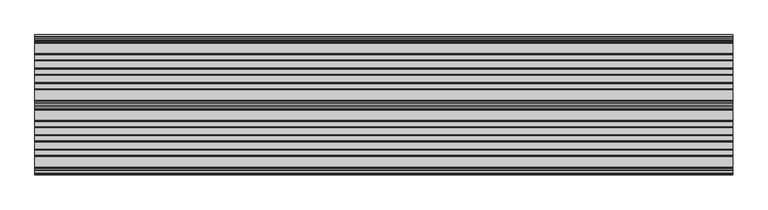
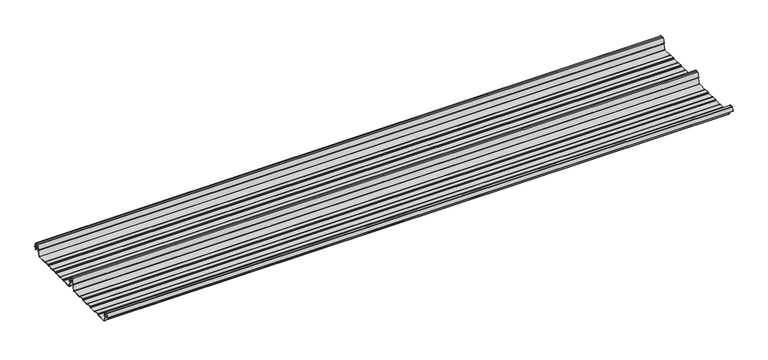
"""IFC4 building model written with IfcOpenShell, lengths in millimetres: beam geometry."""

import ifcopenshell
import ifcopenshell.guid

model = None  # the IFC model being written
_history = None  # IfcOwnerHistory: only IFC2X3 demands one
_inside = {}  # id of a spatial element -> (the spatial element, [elements in it])
_under = {}  # id of a project, library or spatial element -> (it, [spatial elements below it])
_declared = {}  # id of a project -> (the project, [libraries it declares])
_typed = {}  # id of a type object -> (the type object, [elements of that type])
_made_of = {}  # id of a material, layer set ... -> (it, [elements and type objects made of it])


def new_model(schema):
    """Start an empty IFC model of exactly this schema.

    Asked for "IFC4X3", IfcOpenShell would pick the latest addendum, in which some entities
    have other attributes; the version numbers below select the first issue.
    IFC2X3 requires an IfcOwnerHistory on every rooted entity: one is made here for all.
    """
    global model, _history
    if schema == "IFC4X3":
        model = ifcopenshell.file(schema_version=(4, 3, 0, 0))
    else:
        model = ifcopenshell.file(schema=schema)
    _inside.clear()
    _under.clear()
    _declared.clear()
    _typed.clear()
    _made_of.clear()
    _history = None
    if model.schema == "IFC2X3":
        org = make("IfcOrganization", Name="unknown")
        user = make(
            "IfcPersonAndOrganization",
            ThePerson=make("IfcPerson", FamilyName="unknown"),
            TheOrganization=org,
        )
        app = make(
            "IfcApplication",
            ApplicationDeveloper=org,
            Version="unknown",
            ApplicationFullName="unknown",
            ApplicationIdentifier="unknown",
        )
        _history = make(
            "IfcOwnerHistory",
            OwningUser=user,
            OwningApplication=app,
            ChangeAction="ADDED",
            CreationDate=0,
        )
    return model


def make(cls, **values):
    """One entity of the class cls with the attributes given. An attribute that is None is left unset."""
    return model.create_entity(
        cls, **{name: value for name, value in values.items() if value is not None}
    )


def rooted(cls, **values):
    """An entity with a GlobalId (a new one), such as an element, a storey or a relation."""
    return make(cls, GlobalId=ifcopenshell.guid.new(), OwnerHistory=_history, **values)


def si_unit(unit_type, name, prefix=None):
    """IfcSIUnit, for example si_unit("LENGTHUNIT", "METRE", prefix="MILLI")."""
    return make("IfcSIUnit", UnitType=unit_type, Prefix=prefix, Name=name)


def assignment(units):
    """IfcUnitAssignment: the units of a project."""
    return None if units is None else make("IfcUnitAssignment", Units=units)


def point(xyz):
    """IfcCartesianPoint."""
    return None if xyz is None else make("IfcCartesianPoint", Coordinates=xyz)


def direction(xyz):
    """IfcDirection."""
    return None if xyz is None else make("IfcDirection", DirectionRatios=xyz)


def frame(location, z_axis=None, x_axis=None):
    """IfcAxis2Placement3D, a coordinate frame: its origin and axes. An axis left out is left unset."""
    return make(
        "IfcAxis2Placement3D",
        Location=point(location),
        Axis=direction(z_axis),
        RefDirection=direction(x_axis),
    )


def frame_2d(location, x_axis=None):
    """IfcAxis2Placement2D, a coordinate frame in the plane: its origin and x axis."""
    return make(
        "IfcAxis2Placement2D", Location=point(location), RefDirection=direction(x_axis)
    )


def origin():
    """The frame at (0, 0, 0) with its axes left unset."""
    return frame((0.0, 0.0, 0.0))


def place(relative_to, where):
    """IfcLocalPlacement: puts the frame where relative to a parent placement (None: the world)."""
    return make(
        "IfcLocalPlacement", PlacementRelTo=relative_to, RelativePlacement=where
    )


def context(
    kind, dimensions, precision=None, world=None, true_north=None, identifier=None
):
    """IfcGeometricRepresentationContext, for example the 3D "Model" context."""
    return make(
        "IfcGeometricRepresentationContext",
        ContextIdentifier=identifier,
        ContextType=kind,
        CoordinateSpaceDimension=dimensions,
        Precision=precision,
        WorldCoordinateSystem=world,
        TrueNorth=true_north,
    )


def project(units=None, contexts=None):
    """IfcProject with its units and contexts."""
    return rooted(
        "IfcProject",
        Name="project",
        RepresentationContexts=contexts,
        UnitsInContext=assignment(units),
    )


def spatial(cls, under=None, at=None, **own):
    """A site, building, storey or space (cls), placed at a placement, below another one or the project."""
    s = rooted(cls, ObjectPlacement=at, **own)
    if under is not None:
        _under.setdefault(under.id(), (under, []))[1].append(s)
    return s


def polyline(points):
    """IfcPolyline through the points."""
    return make("IfcPolyline", Points=[point(p) for p in points])


def circle_curve(where, radius):
    """IfcCircle in the frame where."""
    return make("IfcCircle", Position=where, Radius=radius)


def trimmed(basis, trim1, trim2, sense, master):
    """IfcTrimmedCurve: the piece of a basis curve between two trims."""
    return make(
        "IfcTrimmedCurve",
        BasisCurve=basis,
        Trim1=trim1,
        Trim2=trim2,
        SenseAgreement=sense,
        MasterRepresentation=master,
    )


def segment(curve, same_sense, transition):
    """IfcCompositeCurveSegment."""
    return make(
        "IfcCompositeCurveSegment",
        Transition=transition,
        SameSense=same_sense,
        ParentCurve=curve,
    )


def composite_curve(segments, self_intersect=None):
    """IfcCompositeCurve: segments joined end to end."""
    return make("IfcCompositeCurve", Segments=segments, SelfIntersect=self_intersect)


def outline(outer, holes=None, kind="AREA"):
    """IfcArbitraryClosedProfileDef: a profile drawn as a closed curve; with holes, ...WithVoids."""
    if holes is None:
        return make("IfcArbitraryClosedProfileDef", ProfileType=kind, OuterCurve=outer)
    return make(
        "IfcArbitraryProfileDefWithVoids",
        ProfileType=kind,
        OuterCurve=outer,
        InnerCurves=holes,
    )


def extrude(swept, where, along, depth):
    """IfcExtrudedAreaSolid: the profile swept, set in the frame where, extruded along a direction by depth."""
    return make(
        "IfcExtrudedAreaSolid",
        SweptArea=swept,
        Position=where,
        ExtrudedDirection=direction(along),
        Depth=depth,
    )


def shape(context_of_items, identifier, shape_type, items):
    """IfcShapeRepresentation: the items that make up one representation, for example the "Body"."""
    return make(
        "IfcShapeRepresentation",
        ContextOfItems=context_of_items,
        RepresentationIdentifier=identifier,
        RepresentationType=shape_type,
        Items=items,
    )


def source(mapping_origin, context_of_items, identifier, shape_type, items):
    """IfcRepresentationMap: a shape defined once, which mapped items show again and again."""
    return make(
        "IfcRepresentationMap",
        MappingOrigin=mapping_origin,
        MappedRepresentation=shape(context_of_items, identifier, shape_type, items),
    )


def transform(
    local_origin,
    x_axis=None,
    y_axis=None,
    z_axis=None,
    scale=None,
    scale2=None,
    scale3=None,
    uniform=True,
):
    """IfcCartesianTransformationOperator3D, or its non-uniform kind. x_axis, y_axis, z_axis: its Axis1, 2, 3."""
    if uniform:
        return make(
            "IfcCartesianTransformationOperator3D",
            Axis1=direction(x_axis),
            Axis2=direction(y_axis),
            LocalOrigin=point(local_origin),
            Scale=scale,
            Axis3=direction(z_axis),
        )
    return make(
        "IfcCartesianTransformationOperator3DnonUniform",
        Axis1=direction(x_axis),
        Axis2=direction(y_axis),
        LocalOrigin=point(local_origin),
        Scale=scale,
        Axis3=direction(z_axis),
        Scale2=scale2,
        Scale3=scale3,
    )


def mapped(mapping_source, mapping_target):
    """IfcMappedItem: shows the shape of a source again, moved by a transform."""
    return make(
        "IfcMappedItem", MappingSource=mapping_source, MappingTarget=mapping_target
    )


def made_of(thing, what):
    """Note that an element or type object is made of a material, layer set ...; save() writes the relation."""
    if what is not None:
        _made_of.setdefault(what.id(), (what, []))[1].append(thing)
    return thing


def element(
    cls,
    number,
    at=None,
    inside=None,
    cuts=None,
    type_object=None,
    material=None,
    context=None,
    identifier="Body",
    shape_type=None,
    held_by="IfcProductDefinitionShape",
    body=None,
    shapes=None,
    **own,
):
    """One element of the class cls, such as IfcWall. Its Tag is "e" and its number.

    at: its placement. inside: the storey or other place that contains it. cuts: it is an
    opening in that element (IfcRelVoidsElement). A single representation is given by context,
    identifier, shape_type and body (its items); several are given by shapes. held_by: the class
    of the entity that holds the representations. save() writes the other relations.
    """
    e = rooted(cls, Tag="e%d" % number, ObjectPlacement=at, **own)
    if body is not None:
        shapes = [shape(context, identifier, shape_type, body)]
    if shapes is not None:
        e.Representation = make(held_by, Representations=shapes)
    if inside is not None:
        _inside.setdefault(inside.id(), (inside, []))[1].append(e)
    if cuts is not None:
        rooted(
            "IfcRelVoidsElement", RelatingBuildingElement=cuts, RelatedOpeningElement=e
        )
    if type_object is not None:
        _typed.setdefault(type_object.id(), (type_object, []))[1].append(e)
    return made_of(e, material)


def aggregate(whole, parts):
    """IfcRelAggregates: a whole, such as a stair, and the parts it consists of."""
    return rooted("IfcRelAggregates", RelatingObject=whole, RelatedObjects=parts)


def save(model, path):
    """Write the relations noted so far, then the file.

    IfcRelAggregates (storeys below a building ...), IfcRelContainedInSpatialStructure (elements
    in a storey), IfcRelDefinesByType, IfcRelAssociatesMaterial and IfcRelDeclares: one each for
    every whole, place, type object, material and project.
    """
    for whole, parts in _under.values():
        aggregate(whole, parts)
    for where, things in _inside.values():
        rooted(
            "IfcRelContainedInSpatialStructure",
            RelatedElements=things,
            RelatingStructure=where,
        )
    for kind, things in _typed.values():
        rooted("IfcRelDefinesByType", RelatedObjects=things, RelatingType=kind)
    for what, things in _made_of.values():
        rooted("IfcRelAssociatesMaterial", RelatedObjects=things, RelatingMaterial=what)
    for by, libraries in _declared.values():
        rooted("IfcRelDeclares", RelatingContext=by, RelatedDefinitions=libraries)
    model.write(path)


def beam_cae71976(model_context):
    return source(origin(), model_context, "Body", "SweptSolid", [
        extrude(outline(composite_curve([segment(trimmed(circle_curve(frame_2d((-231.1362436, -24.0396475)), 1.75), [point((-231.1362436, -25.7896475))], [point((-232.7807057, -24.6381827))], False, "CARTESIAN"), True, "CONTINUOUS"), segment(polyline([(-232.7807057, -24.6381827), (-241.6888002, -2.1633943)]), True, "CONTINUOUS"), segment(trimmed(circle_curve(frame_2d((-240.0443381, -1.5648591)), 1.75), [point((-241.6888002, -2.1633943))], [point((-240.4972714, 0.1255111))], False, "CARTESIAN"), True, "CONTINUOUS"), segment(polyline([(-240.4972714, 0.1255111), (-237.8419476, 0.837003)]), True, "CONTINUOUS"), segment(trimmed(circle_curve(frame_2d((-238.1654714, 2.0444103)), 1.25), [point((-237.8419476, 0.837003))], [point((-236.9908556, 2.4719355))], True, "CARTESIAN"), True, "CONTINUOUS"), segment(polyline([(-236.9908556, 2.4719355), (-243.8110817, 21.2103525), (-250.0, 21.2103525), (-256.1889183, 21.2103525), (-263.0091444, 2.4719355)]), True, "CONTINUOUS"), segment(trimmed(circle_curve(frame_2d((-261.8345286, 2.0444103)), 1.25), [point((-263.0091444, 2.4719355))], [point((-262.1580524, 0.837003))], True, "CARTESIAN"), True, "CONTINUOUS"), segment(polyline([(-262.1580524, 0.837003), (-259.5027286, 0.1255111)]), True, "CONTINUOUS"), segment(trimmed(circle_curve(frame_2d((-259.9556619, -1.5648591)), 1.75), [point((-259.5027286, 0.1255111))], [point((-258.3111998, -2.1633943))], False, "CARTESIAN"), True, "CONTINUOUS"), segment(polyline([(-258.3111998, -2.1633943), (-267.2192943, -24.6381827)]), True, "CONTINUOUS"), segment(trimmed(circle_curve(frame_2d((-268.8637564, -24.0396475)), 1.75), [point((-267.2192943, -24.6381827))], [point((-268.8637564, -25.7896475))], False, "CARTESIAN"), True, "CONTINUOUS"), segment(polyline([(-268.8637564, -25.7896475), (-307.3786797, -25.7896475)]), True, "CONTINUOUS"), segment(trimmed(circle_curve(frame_2d((-307.3786797, -24.0396475)), 1.75), [point((-307.3786797, -25.7896475))], [point((-308.6161165, -25.2770843))], False, "CARTESIAN"), True, "CONTINUOUS"), segment(polyline([(-308.6161165, -25.2770843), (-310.7788845, -23.1143163)]), True, "CONTINUOUS"), segment(trimmed(circle_curve(frame_2d((-311.5627045, -23.8981363)), 1.1084889), [point((-310.7788845, -23.1143163))], [point((-311.5627045, -22.7896475))], True, "CARTESIAN"), True, "CONTINUOUS"), segment(polyline([(-311.5627045, -22.7896475), (-330.4372955, -22.7896475)]), True, "CONTINUOUS"), segment(trimmed(circle_curve(frame_2d((-330.4372955, -23.8981363)), 1.1084889), [point((-330.4372955, -22.7896475))], [point((-331.2211155, -23.1143163))], True, "CARTESIAN"), True, "CONTINUOUS"), segment(polyline([(-331.2211155, -23.1143163), (-333.3838835, -25.2770843)]), True, "CONTINUOUS"), segment(trimmed(circle_curve(frame_2d((-334.6213203, -24.0396475)), 1.75), [point((-333.3838835, -25.2770843))], [point((-334.6213203, -25.7896475))], False, "CARTESIAN"), True, "CONTINUOUS"), segment(polyline([(-334.6213203, -25.7896475), (-361.3786797, -25.7896475)]), True, "CONTINUOUS"), segment(trimmed(circle_curve(frame_2d((-361.3786797, -24.0396475)), 1.75), [point((-361.3786797, -25.7896475))], [point((-362.6161165, -25.2770843))], False, "CARTESIAN"), True, "CONTINUOUS"), segment(polyline([(-362.6161165, -25.2770843), (-364.7788845, -23.1143163)]), True, "CONTINUOUS"), segment(trimmed(circle_curve(frame_2d((-365.5627045, -23.8981363)), 1.1084889), [point((-364.7788845, -23.1143163))], [point((-365.5627045, -22.7896475))], True, "CARTESIAN"), True, "CONTINUOUS"), segment(polyline([(-365.5627045, -22.7896475), (-384.4372955, -22.7896475)]), True, "CONTINUOUS"), segment(trimmed(circle_curve(frame_2d((-384.4372955, -23.8981363)), 1.1084889), [point((-384.4372955, -22.7896475))], [point((-385.2211155, -23.1143163))], True, "CARTESIAN"), True, "CONTINUOUS"), segment(polyline([(-385.2211155, -23.1143163), (-387.3838835, -25.2770843)]), True, "CONTINUOUS"), segment(trimmed(circle_curve(frame_2d((-388.6213203, -24.0396475)), 1.75), [point((-387.3838835, -25.2770843))], [point((-388.6213203, -25.7896475))], False, "CARTESIAN"), True, "CONTINUOUS"), segment(polyline([(-388.6213203, -25.7896475), (-415.3786797, -25.7896475)]), True, "CONTINUOUS"), segment(trimmed(circle_curve(frame_2d((-415.3786797, -24.0396475)), 1.75), [point((-415.3786797, -25.7896475))], [point((-416.6161165, -25.2770843))], False, "CARTESIAN"), True, "CONTINUOUS"), segment(polyline([(-416.6161165, -25.2770843), (-418.7788845, -23.1143163)]), True, "CONTINUOUS"), segment(trimmed(circle_curve(frame_2d((-419.5627045, -23.8981363)), 1.1084889), [point((-418.7788845, -23.1143163))], [point((-419.5627045, -22.7896475))], True, "CARTESIAN"), True, "CONTINUOUS"), segment(polyline([(-419.5627045, -22.7896475), (-438.4372955, -22.7896475)]), True, "CONTINUOUS"), segment(trimmed(circle_curve(frame_2d((-438.4372955, -23.8981363)), 1.1084889), [point((-438.4372955, -22.7896475))], [point((-439.2211155, -23.1143163))], True, "CARTESIAN"), True, "CONTINUOUS"), segment(polyline([(-439.2211155, -23.1143163), (-441.3838835, -25.2770843)]), True, "CONTINUOUS"), segment(trimmed(circle_curve(frame_2d((-442.6213203, -24.0396475)), 1.75), [point((-441.3838835, -25.2770843))], [point((-442.6213203, -25.7896475))], False, "CARTESIAN"), True, "CONTINUOUS"), segment(polyline([(-442.6213203, -25.7896475), (-483.287616, -25.7896475)]), True, "CONTINUOUS"), segment(trimmed(circle_curve(frame_2d((-483.287616, -24.0396475)), 1.75), [point((-483.287616, -25.7896475))], [point((-484.8955882, -24.7302452))], False, "CARTESIAN"), True, "CONTINUOUS"), segment(polyline([(-484.8955882, -24.7302452), (-493.5565428, -2.8789816)]), True, "CONTINUOUS"), segment(trimmed(circle_curve(frame_2d((-490.0443381, -1.5648591)), 3.75), [point((-493.5565428, -2.8789816))], [point((-490.3464639, 2.1729504))], False, "CARTESIAN"), True, "CONTINUOUS"), segment(trimmed(circle_curve(frame_2d((-490.426413, 3.162057)), 0.9923325), [point((-490.3464639, 2.1729504))], [point((-489.4939255, 3.5014547))], True, "CARTESIAN"), True, "CONTINUOUS"), segment(polyline([(-489.4939255, 3.5014547), (-494.9720116, 18.5523727)]), True, "CONTINUOUS"), segment(trimmed(circle_curve(frame_2d((-495.9117043, 18.2103525)), 1.0), [point((-494.9720116, 18.5523727))], [point((-495.9117043, 19.2103525))], True, "CARTESIAN"), True, "CONTINUOUS"), segment(polyline([(-495.9117043, 19.2103525), (-504.0882957, 19.2103525)]), True, "CONTINUOUS"), segment(trimmed(circle_curve(frame_2d((-504.0882957, 18.2103525)), 1.0), [point((-504.0882957, 19.2103525))], [point((-505.0279884, 18.5523727))], True, "CARTESIAN"), True, "CONTINUOUS"), segment(polyline([(-505.0279884, 18.5523727), (-510.4799156, 3.5733257)]), True, "CONTINUOUS"), segment(trimmed(circle_curve(frame_2d((-510.9497619, 3.7443357)), 0.5), [point((-510.4799156, 3.5733257))], [point((-511.4196082, 3.9153458))], False, "CARTESIAN"), True, "CONTINUOUS"), segment(polyline([(-511.4196082, 3.9153458), (-505.967681, 18.8943928)]), True, "CONTINUOUS"), segment(trimmed(circle_curve(frame_2d((-504.0882957, 18.2103525)), 2.0), [point((-505.967681, 18.8943928))], [point((-504.0882957, 20.2103525))], False, "CARTESIAN"), True, "CONTINUOUS"), segment(polyline([(-504.0882957, 20.2103525), (-495.9117043, 20.2103525)]), True, "CONTINUOUS"), segment(trimmed(circle_curve(frame_2d((-495.9117043, 18.2103525)), 2.0), [point((-495.9117043, 20.2103525))], [point((-494.032319, 18.8943928))], False, "CARTESIAN"), True, "CONTINUOUS"), segment(polyline([(-494.032319, 18.8943928), (-488.5542329, 3.8434749)]), True, "CONTINUOUS"), segment(trimmed(circle_curve(frame_2d((-490.426413, 3.162057)), 1.9923325), [point((-488.5542329, 3.8434749))], [point((-490.265897, 1.1762012))], False, "CARTESIAN"), True, "CONTINUOUS"), segment(trimmed(circle_curve(frame_2d((-490.0443381, -1.5648591)), 2.75), [point((-490.265897, 1.1762012))], [point((-492.6230664, -2.5201915))], True, "CARTESIAN"), True, "CONTINUOUS"), segment(polyline([(-492.6230664, -2.5201915), (-483.9722515, -24.3458733)]), True, "CONTINUOUS"), segment(trimmed(circle_curve(frame_2d((-483.287616, -24.0396475)), 0.75), [point((-483.9722515, -24.3458733))], [point((-483.287616, -24.7896475))], True, "CARTESIAN"), True, "CONTINUOUS"), segment(polyline([(-483.287616, -24.7896475), (-442.7420401, -24.7896475)]), True, "CONTINUOUS"), segment(trimmed(circle_curve(frame_2d((-442.7420401, -23.7482041)), 1.0414433), [point((-442.7420401, -24.7896475))], [point((-442.0056285, -24.4846158))], True, "CARTESIAN"), True, "CONTINUOUS"), segment(polyline([(-442.0056285, -24.4846158), (-439.9696699, -22.4486572)]), True, "CONTINUOUS"), segment(trimmed(circle_curve(frame_2d((-438.3786797, -24.0396475)), 2.25), [point((-439.9696699, -22.4486572))], [point((-438.3786797, -21.7896475))], False, "CARTESIAN"), True, "CONTINUOUS"), segment(polyline([(-438.3786797, -21.7896475), (-419.6213203, -21.7896475)]), True, "CONTINUOUS"), segment(trimmed(circle_curve(frame_2d((-419.6213203, -24.0396475)), 2.25), [point((-419.6213203, -21.7896475))], [point((-418.0303301, -22.4486572))], False, "CARTESIAN"), True, "CONTINUOUS"), segment(polyline([(-418.0303301, -22.4486572), (-415.9943715, -24.4846158)]), True, "CONTINUOUS"), segment(trimmed(circle_curve(frame_2d((-415.2579599, -23.7482041)), 1.0414433), [point((-415.9943715, -24.4846158))], [point((-415.2579599, -24.7896475))], True, "CARTESIAN"), True, "CONTINUOUS"), segment(polyline([(-415.2579599, -24.7896475), (-388.7420401, -24.7896475)]), True, "CONTINUOUS"), segment(trimmed(circle_curve(frame_2d((-388.7420401, -23.7482041)), 1.0414433), [point((-388.7420401, -24.7896475))], [point((-388.0056285, -24.4846158))], True, "CARTESIAN"), True, "CONTINUOUS"), segment(polyline([(-388.0056285, -24.4846158), (-385.9696699, -22.4486572)]), True, "CONTINUOUS"), segment(trimmed(circle_curve(frame_2d((-384.3786797, -24.0396475)), 2.25), [point((-385.9696699, -22.4486572))], [point((-384.3786797, -21.7896475))], False, "CARTESIAN"), True, "CONTINUOUS"), segment(polyline([(-384.3786797, -21.7896475), (-365.6213203, -21.7896475)]), True, "CONTINUOUS"), segment(trimmed(circle_curve(frame_2d((-365.6213203, -24.0396475)), 2.25), [point((-365.6213203, -21.7896475))], [point((-364.0303301, -22.4486572))], False, "CARTESIAN"), True, "CONTINUOUS"), segment(polyline([(-364.0303301, -22.4486572), (-361.9943715, -24.4846158)]), True, "CONTINUOUS"), segment(trimmed(circle_curve(frame_2d((-361.2579599, -23.7482041)), 1.0414433), [point((-361.9943715, -24.4846158))], [point((-361.2579599, -24.7896475))], True, "CARTESIAN"), True, "CONTINUOUS"), segment(polyline([(-361.2579599, -24.7896475), (-334.7420401, -24.7896475)]), True, "CONTINUOUS"), segment(trimmed(circle_curve(frame_2d((-334.7420401, -23.7482041)), 1.0414433), [point((-334.7420401, -24.7896475))], [point((-334.0056285, -24.4846158))], True, "CARTESIAN"), True, "CONTINUOUS"), segment(polyline([(-334.0056285, -24.4846158), (-331.9696699, -22.4486572)]), True, "CONTINUOUS"), segment(trimmed(circle_curve(frame_2d((-330.3786797, -24.0396475)), 2.25), [point((-331.9696699, -22.4486572))], [point((-330.3786797, -21.7896475))], False, "CARTESIAN"), True, "CONTINUOUS"), segment(polyline([(-330.3786797, -21.7896475), (-311.6213203, -21.7896475)]), True, "CONTINUOUS"), segment(trimmed(circle_curve(frame_2d((-311.6213203, -24.0396475)), 2.25), [point((-311.6213203, -21.7896475))], [point((-310.0303301, -22.4486572))], False, "CARTESIAN"), True, "CONTINUOUS"), segment(polyline([(-310.0303301, -22.4486572), (-307.9943715, -24.4846158)]), True, "CONTINUOUS"), segment(trimmed(circle_curve(frame_2d((-307.2579599, -23.7482041)), 1.0414433), [point((-307.9943715, -24.4846158))], [point((-307.2579599, -24.7896475))], True, "CARTESIAN"), True, "CONTINUOUS"), segment(polyline([(-307.2579599, -24.7896475), (-268.8637564, -24.7896475)]), True, "CONTINUOUS"), segment(trimmed(circle_curve(frame_2d((-268.8637564, -24.0396475)), 0.75), [point((-268.8637564, -24.7896475))], [point((-268.1552359, -24.2856122))], True, "CARTESIAN"), True, "CONTINUOUS"), segment(polyline([(-268.1552359, -24.2856122), (-259.2471414, -1.8108238)]), True, "CONTINUOUS"), segment(trimmed(circle_curve(frame_2d((-259.9556619, -1.5648591)), 0.75), [point((-259.2471414, -1.8108238))], [point((-259.7615476, -0.8404147))], True, "CARTESIAN"), True, "CONTINUOUS"), segment(polyline([(-259.7615476, -0.8404147), (-262.4168715, -0.1289228)]), True, "CONTINUOUS"), segment(trimmed(circle_curve(frame_2d((-261.8345286, 2.0444103)), 2.25), [point((-262.4168715, -0.1289228))], [point((-263.948837, 2.8139556))], False, "CARTESIAN"), True, "CONTINUOUS"), segment(polyline([(-263.948837, 2.8139556), (-257.1273286, 21.5558959)]), True, "CONTINUOUS"), segment(trimmed(circle_curve(frame_2d((-256.1926676, 21.2157071)), 0.9946455), [point((-257.1273286, 21.5558959))], [point((-256.1926676, 22.2103525))], False, "CARTESIAN"), True, "CONTINUOUS"), segment(polyline([(-256.1926676, 22.2103525), (-250.0, 22.2103525), (-243.8073324, 22.2103525)]), True, "CONTINUOUS"), segment(trimmed(circle_curve(frame_2d((-243.8073324, 21.2157071)), 0.9946455), [point((-243.8073324, 22.2103525))], [point((-242.8726714, 21.5558959))], False, "CARTESIAN"), True, "CONTINUOUS"), segment(polyline([(-242.8726714, 21.5558959), (-236.051163, 2.8139556)]), True, "CONTINUOUS"), segment(trimmed(circle_curve(frame_2d((-238.1654714, 2.0444103)), 2.25), [point((-236.051163, 2.8139556))], [point((-237.5831285, -0.1289228))], False, "CARTESIAN"), True, "CONTINUOUS"), segment(polyline([(-237.5831285, -0.1289228), (-240.2384524, -0.8404147)]), True, "CONTINUOUS"), segment(trimmed(circle_curve(frame_2d((-240.0443381, -1.5648591)), 0.75), [point((-240.2384524, -0.8404147))], [point((-240.7528586, -1.8108238))], True, "CARTESIAN"), True, "CONTINUOUS"), segment(polyline([(-240.7528586, -1.8108238), (-231.8447641, -24.2856122)]), True, "CONTINUOUS"), segment(trimmed(circle_curve(frame_2d((-231.1362436, -24.0396475)), 0.75), [point((-231.8447641, -24.2856122))], [point((-231.1362436, -24.7896475))], True, "CARTESIAN"), True, "CONTINUOUS"), segment(polyline([(-231.1362436, -24.7896475), (-192.7420401, -24.7896475)]), True, "CONTINUOUS"), segment(trimmed(circle_curve(frame_2d((-192.7420401, -23.7482041)), 1.0414433), [point((-192.7420401, -24.7896475))], [point((-192.0056285, -24.4846158))], True, "CARTESIAN"), True, "CONTINUOUS"), segment(polyline([(-192.0056285, -24.4846158), (-189.9696699, -22.4486572)]), True, "CONTINUOUS"), segment(trimmed(circle_curve(frame_2d((-188.3786797, -24.0396475)), 2.25), [point((-189.9696699, -22.4486572))], [point((-188.3786797, -21.7896475))], False, "CARTESIAN"), True, "CONTINUOUS"), segment(polyline([(-188.3786797, -21.7896475), (-169.6213203, -21.7896475)]), True, "CONTINUOUS"), segment(trimmed(circle_curve(frame_2d((-169.6213203, -24.0396475)), 2.25), [point((-169.6213203, -21.7896475))], [point((-168.0303301, -22.4486572))], False, "CARTESIAN"), True, "CONTINUOUS"), segment(polyline([(-168.0303301, -22.4486572), (-165.9943715, -24.4846158)]), True, "CONTINUOUS"), segment(trimmed(circle_curve(frame_2d((-165.2579599, -23.7482041)), 1.0414433), [point((-165.9943715, -24.4846158))], [point((-165.2579599, -24.7896475))], True, "CARTESIAN"), True, "CONTINUOUS"), segment(polyline([(-165.2579599, -24.7896475), (-138.7420401, -24.7896475)]), True, "CONTINUOUS"), segment(trimmed(circle_curve(frame_2d((-138.7420401, -23.7482041)), 1.0414433), [point((-138.7420401, -24.7896475))], [point((-138.0056285, -24.4846158))], True, "CARTESIAN"), True, "CONTINUOUS"), segment(polyline([(-138.0056285, -24.4846158), (-135.9696699, -22.4486572)]), True, "CONTINUOUS"), segment(trimmed(circle_curve(frame_2d((-134.3786797, -24.0396475)), 2.25), [point((-135.9696699, -22.4486572))], [point((-134.3786797, -21.7896475))], False, "CARTESIAN"), True, "CONTINUOUS"), segment(polyline([(-134.3786797, -21.7896475), (-115.6213203, -21.7896475)]), True, "CONTINUOUS"), segment(trimmed(circle_curve(frame_2d((-115.6213203, -24.0396475)), 2.25), [point((-115.6213203, -21.7896475))], [point((-114.0303301, -22.4486572))], False, "CARTESIAN"), True, "CONTINUOUS"), segment(polyline([(-114.0303301, -22.4486572), (-111.9943715, -24.4846158)]), True, "CONTINUOUS"), segment(trimmed(circle_curve(frame_2d((-111.2579599, -23.7482041)), 1.0414433), [point((-111.9943715, -24.4846158))], [point((-111.2579599, -24.7896475))], True, "CARTESIAN"), True, "CONTINUOUS"), segment(polyline([(-111.2579599, -24.7896475), (-84.7420401, -24.7896475)]), True, "CONTINUOUS"), segment(trimmed(circle_curve(frame_2d((-84.7420401, -23.7482041)), 1.0414433), [point((-84.7420401, -24.7896475))], [point((-84.0056285, -24.4846158))], True, "CARTESIAN"), True, "CONTINUOUS"), segment(polyline([(-84.0056285, -24.4846158), (-81.9696699, -22.4486572)]), True, "CONTINUOUS"), segment(trimmed(circle_curve(frame_2d((-80.3786797, -24.0396475)), 2.25), [point((-81.9696699, -22.4486572))], [point((-80.3786797, -21.7896475))], False, "CARTESIAN"), True, "CONTINUOUS"), segment(polyline([(-80.3786797, -21.7896475), (-61.6213203, -21.7896475)]), True, "CONTINUOUS"), segment(trimmed(circle_curve(frame_2d((-61.6213203, -24.0396475)), 2.25), [point((-61.6213203, -21.7896475))], [point((-60.0303301, -22.4486572))], False, "CARTESIAN"), True, "CONTINUOUS"), segment(polyline([(-60.0303301, -22.4486572), (-57.9943715, -24.4846158)]), True, "CONTINUOUS"), segment(trimmed(circle_curve(frame_2d((-57.2579599, -23.7482041)), 1.0414433), [point((-57.9943715, -24.4846158))], [point((-57.2579599, -24.7896475))], True, "CARTESIAN"), True, "CONTINUOUS"), segment(polyline([(-57.2579599, -24.7896475), (-18.8637564, -24.7896475)]), True, "CONTINUOUS"), segment(trimmed(circle_curve(frame_2d((-18.8637564, -24.0396475)), 0.75), [point((-18.8637564, -24.7896475))], [point((-18.1552359, -24.2856122))], True, "CARTESIAN"), True, "CONTINUOUS"), segment(polyline([(-18.1552359, -24.2856122), (-9.2471414, -1.8108238)]), True, "CONTINUOUS"), segment(trimmed(circle_curve(frame_2d((-9.9556619, -1.5648591)), 0.75), [point((-9.2471414, -1.8108238))], [point((-9.7615476, -0.8404147))], True, "CARTESIAN"), True, "CONTINUOUS"), segment(polyline([(-9.7615476, -0.8404147), (-12.4168715, -0.1289228)]), True, "CONTINUOUS"), segment(trimmed(circle_curve(frame_2d((-11.8345286, 2.0444103)), 2.25), [point((-12.4168715, -0.1289228))], [point((-13.948837, 2.8139556))], False, "CARTESIAN"), True, "CONTINUOUS"), segment(polyline([(-13.948837, 2.8139556), (-7.1273286, 21.5558959)]), True, "CONTINUOUS"), segment(trimmed(circle_curve(frame_2d((-6.1926676, 21.2157071)), 0.9946455), [point((-7.1273286, 21.5558959))], [point((-6.1926676, 22.2103525))], False, "CARTESIAN"), True, "CONTINUOUS"), segment(polyline([(-6.1926676, 22.2103525), (0.0, 22.2103525), (6.1926676, 22.2103525)]), True, "CONTINUOUS"), segment(trimmed(circle_curve(frame_2d((6.1926676, 21.2157071)), 0.9946455), [point((6.1926676, 22.2103525))], [point((7.1273286, 21.5558959))], False, "CARTESIAN"), True, "CONTINUOUS"), segment(polyline([(7.1273286, 21.5558959), (13.948837, 2.8139556)]), True, "CONTINUOUS"), segment(trimmed(circle_curve(frame_2d((11.8345286, 2.0444103)), 2.25), [point((13.948837, 2.8139556))], [point((12.4168715, -0.1289228))], False, "CARTESIAN"), True, "CONTINUOUS"), segment(polyline([(12.4168715, -0.1289228), (9.7615476, -0.8404147)]), True, "CONTINUOUS"), segment(trimmed(circle_curve(frame_2d((9.9556619, -1.5648591)), 0.75), [point((9.7615476, -0.8404147))], [point((9.2471414, -1.8108238))], True, "CARTESIAN"), True, "CONTINUOUS"), segment(polyline([(9.2471414, -1.8108238), (12.5127954, -10.0499465)]), True, "CONTINUOUS"), segment(trimmed(circle_curve(frame_2d((12.0479758, -10.2341821)), 0.5), [point((12.5127954, -10.0499465))], [point((11.5831563, -10.4184177))], False, "CARTESIAN"), True, "CONTINUOUS"), segment(polyline([(11.5831563, -10.4184177), (8.3111998, -2.1633943)]), True, "CONTINUOUS"), segment(trimmed(circle_curve(frame_2d((9.9556619, -1.5648591)), 1.75), [point((8.3111998, -2.1633943))], [point((9.5027286, 0.1255111))], False, "CARTESIAN"), True, "CONTINUOUS"), segment(polyline([(9.5027286, 0.1255111), (12.1580524, 0.837003)]), True, "CONTINUOUS"), segment(trimmed(circle_curve(frame_2d((11.8345286, 2.0444103)), 1.25), [point((12.1580524, 0.837003))], [point((13.0091444, 2.4719355))], True, "CARTESIAN"), True, "CONTINUOUS"), segment(polyline([(13.0091444, 2.4719355), (6.1889183, 21.2103525), (0.0, 21.2103525), (-6.1889183, 21.2103525), (-13.0091444, 2.4719355)]), True, "CONTINUOUS"), segment(trimmed(circle_curve(frame_2d((-11.8345286, 2.0444103)), 1.25), [point((-13.0091444, 2.4719355))], [point((-12.1580524, 0.837003))], True, "CARTESIAN"), True, "CONTINUOUS"), segment(polyline([(-12.1580524, 0.837003), (-9.5027286, 0.1255111)]), True, "CONTINUOUS"), segment(trimmed(circle_curve(frame_2d((-9.9556619, -1.5648591)), 1.75), [point((-9.5027286, 0.1255111))], [point((-8.3111998, -2.1633943))], False, "CARTESIAN"), True, "CONTINUOUS"), segment(polyline([(-8.3111998, -2.1633943), (-17.2192943, -24.6381827)]), True, "CONTINUOUS"), segment(trimmed(circle_curve(frame_2d((-18.8637564, -24.0396475)), 1.75), [point((-17.2192943, -24.6381827))], [point((-18.8637564, -25.7896475))], False, "CARTESIAN"), True, "CONTINUOUS"), segment(polyline([(-18.8637564, -25.7896475), (-57.3786797, -25.7896475)]), True, "CONTINUOUS"), segment(trimmed(circle_curve(frame_2d((-57.3786797, -24.0396475)), 1.75), [point((-57.3786797, -25.7896475))], [point((-58.6161165, -25.2770843))], False, "CARTESIAN"), True, "CONTINUOUS"), segment(polyline([(-58.6161165, -25.2770843), (-60.7788845, -23.1143163)]), True, "CONTINUOUS"), segment(trimmed(circle_curve(frame_2d((-61.5627045, -23.8981363)), 1.1084889), [point((-60.7788845, -23.1143163))], [point((-61.5627045, -22.7896475))], True, "CARTESIAN"), True, "CONTINUOUS"), segment(polyline([(-61.5627045, -22.7896475), (-80.4372955, -22.7896475)]), True, "CONTINUOUS"), segment(trimmed(circle_curve(frame_2d((-80.4372955, -23.8981363)), 1.1084889), [point((-80.4372955, -22.7896475))], [point((-81.2211155, -23.1143163))], True, "CARTESIAN"), True, "CONTINUOUS"), segment(polyline([(-81.2211155, -23.1143163), (-83.3838835, -25.2770843)]), True, "CONTINUOUS"), segment(trimmed(circle_curve(frame_2d((-84.6213203, -24.0396475)), 1.75), [point((-83.3838835, -25.2770843))], [point((-84.6213203, -25.7896475))], False, "CARTESIAN"), True, "CONTINUOUS"), segment(polyline([(-84.6213203, -25.7896475), (-111.3786797, -25.7896475)]), True, "CONTINUOUS"), segment(trimmed(circle_curve(frame_2d((-111.3786797, -24.0396475)), 1.75), [point((-111.3786797, -25.7896475))], [point((-112.6161165, -25.2770843))], False, "CARTESIAN"), True, "CONTINUOUS"), segment(polyline([(-112.6161165, -25.2770843), (-114.7788845, -23.1143163)]), True, "CONTINUOUS"), segment(trimmed(circle_curve(frame_2d((-115.5627045, -23.8981363)), 1.1084889), [point((-114.7788845, -23.1143163))], [point((-115.5627045, -22.7896475))], True, "CARTESIAN"), True, "CONTINUOUS"), segment(polyline([(-115.5627045, -22.7896475), (-134.4372955, -22.7896475)]), True, "CONTINUOUS"), segment(trimmed(circle_curve(frame_2d((-134.4372955, -23.8981363)), 1.1084889), [point((-134.4372955, -22.7896475))], [point((-135.2211155, -23.1143163))], True, "CARTESIAN"), True, "CONTINUOUS"), segment(polyline([(-135.2211155, -23.1143163), (-137.3838835, -25.2770843)]), True, "CONTINUOUS"), segment(trimmed(circle_curve(frame_2d((-138.6213203, -24.0396475)), 1.75), [point((-137.3838835, -25.2770843))], [point((-138.6213203, -25.7896475))], False, "CARTESIAN"), True, "CONTINUOUS"), segment(polyline([(-138.6213203, -25.7896475), (-165.3786797, -25.7896475)]), True, "CONTINUOUS"), segment(trimmed(circle_curve(frame_2d((-165.3786797, -24.0396475)), 1.75), [point((-165.3786797, -25.7896475))], [point((-166.6161165, -25.2770843))], False, "CARTESIAN"), True, "CONTINUOUS"), segment(polyline([(-166.6161165, -25.2770843), (-168.7788845, -23.1143163)]), True, "CONTINUOUS"), segment(trimmed(circle_curve(frame_2d((-169.5627045, -23.8981363)), 1.1084889), [point((-168.7788845, -23.1143163))], [point((-169.5627045, -22.7896475))], True, "CARTESIAN"), True, "CONTINUOUS"), segment(polyline([(-169.5627045, -22.7896475), (-188.4372955, -22.7896475)]), True, "CONTINUOUS"), segment(trimmed(circle_curve(frame_2d((-188.4372955, -23.8981363)), 1.1084889), [point((-188.4372955, -22.7896475))], [point((-189.2211155, -23.1143163))], True, "CARTESIAN"), True, "CONTINUOUS"), segment(polyline([(-189.2211155, -23.1143163), (-191.3838835, -25.2770843)]), True, "CONTINUOUS"), segment(trimmed(circle_curve(frame_2d((-192.6213203, -24.0396475)), 1.75), [point((-191.3838835, -25.2770843))], [point((-192.6213203, -25.7896475))], False, "CARTESIAN"), True, "CONTINUOUS"), segment(polyline([(-192.6213203, -25.7896475), (-231.1362436, -25.7896475)]), True, "CONTINUOUS")], self_intersect=False)), frame((-1305.1012987, 0.0, 0.0), z_axis=(1.0, 0.0, 0.0), x_axis=(0.0, 1.0, 0.0)), (0.0, 0.0, 1.0), 2610.2025973),
    ])


if __name__ == "__main__":
    model = new_model("IFC4")
    model_context = context("Model", 3, world=origin())
    ifc_project = project(units=[si_unit("LENGTHUNIT", "METRE", prefix="MILLI")], contexts=[model_context])
    site = spatial("IfcSite", under=ifc_project)
    building = spatial("IfcBuilding", under=site)
    placement = place(None, origin())
    beam_shape = beam_cae71976(model_context)
    element("IfcBeam", 1, at=placement, inside=building, context=model_context, shape_type="MappedRepresentation", body=[
        mapped(beam_shape, transform((0.0, 0.0, 0.0), x_axis=(1.0, 0.0, 0.0), y_axis=(0.0, 1.0, 0.0), z_axis=(0.0, 0.0, 1.0))),
    ])
    save(model, "model.ifc")
